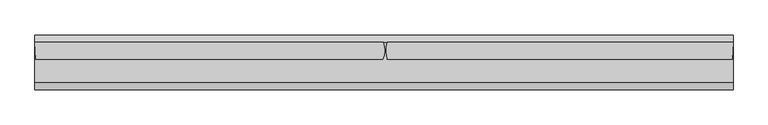
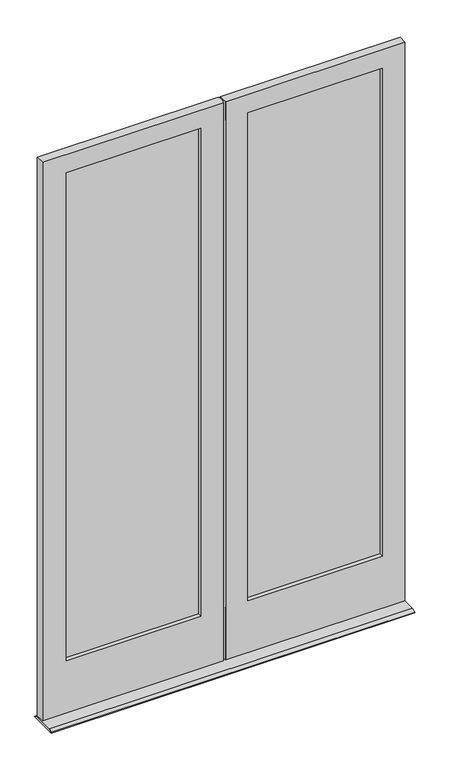
"""IFC4 building model written with IfcOpenShell, lengths in millimetres: plate geometry."""

from ifc_helpers import new_model, si_unit, frame, origin, place, context, project, spatial, polyline, circle_curve, outline, extrude, source, transform, mapped, element, save
from ifc_brep_helpers import plane_surface, cylinder_surface, advanced_brep


def plate_d8d8f39d(model_context):
    return source(origin(), model_context, "Body", "SolidModel", [
        extrude(outline(polyline([(-102.39375, -24.1173), (-805.65625, -24.1173), (-805.65625, -20.9423), (-102.39375, -20.9423), (-102.39375, -24.1173)])), frame((0.0, 0.0, 277.415625), z_axis=(0.0, 0.0, 1.0), x_axis=(1.0, 0.0, 0.0)), (0.0, 0.0, 1.0), 2612.628125),
        extrude(outline(polyline([(-805.65625, -13.1953), (-102.39375, -13.1953), (-102.39375, -16.3703), (-805.65625, -16.3703), (-805.65625, -13.1953)])), frame((0.0, 0.0, 277.415625), z_axis=(0.0, 0.0, 1.0), x_axis=(1.0, 0.0, 0.0)), (0.0, 0.0, 1.0), 2612.628125),
        extrude(outline(polyline([(805.65625, -24.1173), (102.39375, -24.1173), (102.39375, -20.9423), (805.65625, -20.9423), (805.65625, -24.1173)])), frame((0.0, 0.0, 277.415625), z_axis=(0.0, 0.0, 1.0), x_axis=(1.0, 0.0, 0.0)), (0.0, 0.0, 1.0), 2612.628125),
        extrude(outline(polyline([(102.39375, -13.1953), (805.65625, -13.1953), (805.65625, -16.3703), (102.39375, -16.3703), (102.39375, -13.1953)])), frame((0.0, 0.0, 277.415625), z_axis=(0.0, 0.0, 1.0), x_axis=(1.0, 0.0, 0.0)), (0.0, 0.0, 1.0), 2612.628125),
        extrude(outline(polyline([(-1.5881087, 12.7), (17.4625, 3.1746956), (17.4625, 0.0), (-125.4125, 0.0), (-125.4125, 3.1746956), (-106.3618913, 12.7), (-1.5881087, 12.7)])), frame((-911.9755413, 0.0, 0.0), z_axis=(1.0, 0.0, 0.0), x_axis=(0.0, 1.0, 0.0)), (0.0, 0.0, 1.0), 1818.4380405),
        advanced_brep(
        [(-122.2375, -1.5875127, 2870.2), (-122.2375, -13.1920658, 2870.2), (-785.8124339, -13.1947929, 2870.2), (-785.8124339, -1.587502, 2870.2), (-102.39375, -13.1920658, 2890.04375), (-102.39375, -24.1171967, 2890.04375), (-805.65625, -24.1172867, 2890.04375), (-805.65625, -13.1948849, 2890.04375), (-117.4623, -24.1171967, 2874.9752), (-117.4623, -46.0375, 2874.9752), (-790.5876387, -46.0375, 2874.9752), (-790.5876387, -24.1172845, 2874.9752), (-122.2375, -1.5875127, 296.8621956), (-785.8124339, -1.5875127, 296.8621956), (-785.8124339, -13.1949832, 296.8621956), (-122.2375, -13.1920658, 296.8621956), (-805.65625, -24.1171967, 277.415625), (-102.39375, -24.1171967, 277.415625), (-102.39375, -13.1920658, 277.415625), (-805.65625, -13.1920658, 277.415625), (-117.4623, -24.1171967, 292.0869956), (-790.5876387, -24.1171967, 292.0869956), (-790.5876387, -46.0375, 292.0869956), (-117.4623, -46.0375, 292.0869956), (-909.2069413, -46.0375, 17.4625), (-909.2069413, -46.0375, 2971.8), (-911.9755413, -1.5875, 2971.8), (-911.9755413, -1.5875, 17.4625), (-5.6038924, -46.0375, 2971.8), (-4.4292042, -1.5875127, 2971.8), (-4.4292042, -1.5875127, 17.4625), (-5.6038924, -46.0375, 17.4625)],
        [
            (0, 1),
            (1, 2),
            (2, 3),
            (3, 0),
            (4, 5),
            (5, 6),
            (6, 7),
            (7, 4),
            (8, 9),
            (9, 10),
            (10, 11),
            (11, 8),
            (12, 13),
            (13, 14),
            (14, 15),
            (15, 12),
            (16, 17),
            (17, 18),
            (18, 19),
            (19, 16),
            (20, 21),
            (21, 22),
            (22, 23),
            (23, 20),
            (24, 25),
            (25, 26),
            (26, 27),
            (27, 24),
            (10, 22),
            (21, 11),
            (19, 7),
            (6, 16),
            (2, 14),
            (13, 3),
            (0, 12),
            (15, 1),
            (17, 5),
            (4, 18),
            (8, 20),
            (23, 9),
            (28, 29, circle_curve(frame((-65.0875, -22.225, 2971.8), z_axis=(0.0, 0.0, 1.0), x_axis=(0.0, -1.0, 0.0)), 64.0728861)),
            (29, 26),
            (25, 28),
            (30, 31, circle_curve(frame((-65.0875, -22.225, 17.4625), z_axis=(0.0, 0.0, -1.0), x_axis=(0.0, -1.0, 0.0)), 64.0728861)),
            (31, 24),
            (27, 30),
            (31, 28),
            (29, 30),
        ],
        [
            plane_surface(frame((-909.2069413, -1.5875, 2870.2), z_axis=(0.0, 0.0, -1.0), x_axis=(1.0, 0.0, 0.0))),
            plane_surface(frame((-909.2069413, -13.1953, 2890.04375), z_axis=(0.0, 0.0, -1.0), x_axis=(1.0, 0.0, 0.0))),
            plane_surface(frame((-909.2069413, -24.1173, 2874.9752), z_axis=(0.0, 0.0, -1.0), x_axis=(1.0, 0.0, 0.0))),
            plane_surface(frame((-5.5889985, -1.5875, 296.8621956), z_axis=(0.0, 0.0, 1.0), x_axis=(-1.0, 0.0, 0.0))),
            plane_surface(frame((-5.5889985, -13.1953, 277.415625), z_axis=(0.0, 0.0, 1.0), x_axis=(-1.0, 0.0, 0.0))),
            plane_surface(frame((-5.5889985, -24.1173, 292.0869956), z_axis=(0.0, 0.0, 1.0), x_axis=(-1.0, 0.0, 0.0))),
            plane_surface(frame((-911.9755413, -1.5875, 2971.8), z_axis=(-0.998065870687917, -0.062165245660017354, 0.0), x_axis=(0.0, 0.0, -1.0))),
            plane_surface(frame((-790.5876387, -46.0375, 2971.8), z_axis=(1.0, 0.0, 0.0), x_axis=(0.0, 0.0, -1.0))),
            plane_surface(frame((-805.65625, -24.1173, 2971.8), z_axis=(1.0, 0.0, 0.0), x_axis=(0.0, 0.0, -1.0))),
            plane_surface(frame((-785.8124339, -13.1953, 2971.8), z_axis=(1.0, 0.0, 0.0), x_axis=(0.0, 0.0, -1.0))),
            plane_surface(frame((-122.2375, -1.5875127, 2971.8), z_axis=(-1.0, 0.0, 0.0), x_axis=(0.0, 0.0, -1.0))),
            plane_surface(frame((-102.39375, -13.1920658, 2971.8), z_axis=(-1.0, 0.0, 0.0), x_axis=(0.0, 0.0, -1.0))),
            plane_surface(frame((-117.4623, -24.1171967, 2971.8), z_axis=(-1.0, 0.0, 0.0), x_axis=(0.0, 0.0, -1.0))),
            plane_surface(frame((5.5889985, -46.0375, 2971.8), z_axis=(0.0, 0.0, 1.0), x_axis=(1.0, 0.0, 0.0))),
            plane_surface(frame((895.1066401, -18.6563, 17.4625), z_axis=(0.0, 0.0, -1.0), x_axis=(0.0, -1.0, 0.0))),
            plane_surface(frame((-55.4591402, -46.0375, 2971.8), z_axis=(0.0, -1.0, 0.0), x_axis=(0.0, 0.0, -1.0))),
            plane_surface(frame((-55.4591402, -1.5875127, 2971.8), z_axis=(0.0, 1.0, 0.0), x_axis=(0.0, 0.0, -1.0))),
            plane_surface(frame((-122.2375, -13.1920658, 2971.8), z_axis=(0.0, -1.0, 0.0), x_axis=(0.0, 0.0, -1.0))),
            plane_surface(frame((-102.39375, -24.1171967, 2971.8), z_axis=(0.0, 1.0, 0.0), x_axis=(0.0, 0.0, -1.0))),
            cylinder_surface(frame((-65.0875, -22.225, 2971.8), z_axis=(0.0, 0.0, 1.0), x_axis=(0.0, -1.0, 0.0)), 64.0728861),
        ],
        [
            (0, [[1, 2, 3, 4]]),
            (1, [[5, 6, 7, 8]]),
            (2, [[9, 10, 11, 12]]),
            (3, [[13, 14, 15, 16]]),
            (4, [[17, 18, 19, 20]]),
            (5, [[21, 22, 23, 24]]),
            (6, [[25, 26, 27, 28]]),
            (7, [[-11, 29, -22, 30]]),
            (8, [[31, -7, 32, -20]]),
            (9, [[-3, 33, -14, 34]]),
            (10, [[-1, 35, -16, 36]]),
            (11, [[37, -5, 38, -18]]),
            (12, [[-9, 39, -24, 40]]),
            (13, [[41, 42, -26, 43]]),
            (14, [[44, 45, -28, 46]]),
            (15, [[-45, 47, -43, -25], [-40, -23, -29, -10]]),
            (16, [[48, -46, -27, -42], [-34, -13, -35, -4]]),
            (17, [[-8, -31, -19, -38], [-2, -36, -15, -33]]),
            (18, [[-6, -37, -17, -32], [-12, -30, -21, -39]]),
            (19, [[-41, -47, -44, -48]]),
        ],
    ),
        advanced_brep(
        [(117.4623, -46.0375, 2874.9752), (117.4623, -46.0375, 292.0869956), (117.4623, -24.1172867, 292.0869956), (117.4623, -24.1173, 2874.9752), (102.39375, -13.1953, 2890.04375), (102.39375, -24.1173, 2890.04375), (102.39375, -24.1173, 277.415625), (102.39375, -13.1953, 277.415625), (122.2375, -13.1953, 2870.2), (122.2375, -13.1953, 296.8621956), (122.2375, -1.5875017, 296.8621956), (122.2375, -1.5875, 2870.2), (785.8125, -13.1953, 2870.2), (785.8125, -1.5875, 2870.2), (785.8125, -1.5875115, 296.8621956), (785.8125, -13.1923826, 296.8621956), (805.65625, -24.1173, 2890.04375), (805.65625, -13.1953, 2890.04375), (805.65625, -13.1923585, 277.415625), (805.65625, -24.1172061, 277.415625), (790.5877, -46.0375, 2874.9752), (790.5877, -24.1173, 2874.9752), (790.5877, -24.1172067, 292.0869956), (790.5877, -46.0375, 292.0869956), (906.4624992, -1.5875127, 2971.8), (903.6939, -46.0375, 2971.8), (903.6939, -46.0375, 17.4625), (906.4624992, -1.5875127, 17.4625), (5.5889985, -46.0375, 2874.9752), (5.5889985, -42.7965476, 2874.9752), (6.380646, -46.0375, 2874.9752), (5.5889985, -46.0375, 292.0869956), (6.380646, -46.0375, 292.0869956), (5.5889985, -42.7965476, 292.0869956), (5.5889985, -1.5875, 2971.8), (5.5889985, -42.7965476, 2971.8), (5.5889985, -46.0375, 2971.8), (5.5889985, -46.0375, 17.4625), (5.5889985, -1.5875, 17.4625), (5.5889985, -42.7965476, 17.4625)],
        [
            (0, 1),
            (1, 2),
            (2, 3),
            (3, 0),
            (4, 5),
            (5, 6),
            (6, 7),
            (7, 4),
            (8, 9),
            (9, 10),
            (10, 11),
            (11, 8),
            (12, 13),
            (13, 14),
            (14, 15),
            (15, 12),
            (16, 17),
            (17, 18),
            (18, 19),
            (19, 16),
            (20, 21),
            (21, 22),
            (22, 23),
            (23, 20),
            (24, 25),
            (25, 26),
            (26, 27),
            (27, 24),
            (12, 8),
            (11, 13),
            (16, 5),
            (4, 17),
            (20, 0),
            (3, 21),
            (28, 29),
            (29, 30, circle_curve(frame((96.8375, -22.225, 2874.9752), z_axis=(0.0, 0.0, 1.0), x_axis=(0.0, -1.0, 0.0)), 93.5386423)),
            (30, 28),
            (14, 10),
            (9, 15),
            (18, 7),
            (6, 19),
            (22, 2),
            (1, 23),
            (31, 32),
            (32, 33, circle_curve(frame((96.8375, -22.225, 292.0869956), z_axis=(0.0, 0.0, -1.0), x_axis=(0.0, -1.0, 0.0)), 93.5386423)),
            (33, 31),
            (24, 34),
            (34, 35, circle_curve(frame((96.8375, -22.225, 2971.8), z_axis=(0.0, 0.0, 1.0), x_axis=(0.0, -1.0, 0.0)), 93.5386423)),
            (35, 36),
            (36, 25),
            (36, 28),
            (30, 32),
            (31, 37),
            (37, 26),
            (27, 38),
            (38, 34),
            (37, 39),
            (39, 38, circle_curve(frame((96.8375, -22.225, 17.4625), z_axis=(0.0, 0.0, -1.0), x_axis=(0.0, -1.0, 0.0)), 93.5386423)),
            (39, 33),
            (29, 35),
        ],
        [
            plane_surface(frame((117.4623, -46.0375, 2971.8), z_axis=(1.0, 0.0, 0.0), x_axis=(0.0, 0.0, -1.0))),
            plane_surface(frame((102.39375, -24.1171967, 2971.8), z_axis=(1.0, 0.0, 0.0), x_axis=(0.0, 0.0, -1.0))),
            plane_surface(frame((122.2375, -13.1920658, 2971.8), z_axis=(1.0, 0.0, 0.0), x_axis=(0.0, 0.0, -1.0))),
            plane_surface(frame((785.8125, -1.5875127, 2971.8), z_axis=(-1.0, 0.0, 0.0), x_axis=(0.0, 0.0, -1.0))),
            plane_surface(frame((805.65625, -13.1920658, 2971.8), z_axis=(-1.0, 0.0, 0.0), x_axis=(0.0, 0.0, -1.0))),
            plane_surface(frame((790.5877, -24.1171967, 2971.8), z_axis=(-1.0, 0.0, 0.0), x_axis=(0.0, 0.0, -1.0))),
            plane_surface(frame((903.6939, -46.0375, 2971.8), z_axis=(0.9980658706878365, -0.06216524566130957, 0.0), x_axis=(0.0, 0.0, -1.0))),
            plane_surface(frame((5.5889985, -1.5875, 2870.2), z_axis=(0.0, 0.0, -1.0), x_axis=(1.0, 0.0, 0.0))),
            plane_surface(frame((5.5889985, -13.1953, 2890.04375), z_axis=(0.0, 0.0, -1.0), x_axis=(1.0, 0.0, 0.0))),
            plane_surface(frame((5.5889985, -24.1173, 2874.9752), z_axis=(0.0, 0.0, -1.0), x_axis=(1.0, 0.0, 0.0))),
            plane_surface(frame((903.6939, -1.5875, 296.8621956), z_axis=(0.0, 0.0, 1.0), x_axis=(-1.0, 0.0, 0.0))),
            plane_surface(frame((903.6939, -13.1953, 277.415625), z_axis=(0.0, 0.0, 1.0), x_axis=(-1.0, 0.0, 0.0))),
            plane_surface(frame((903.6939, -24.1173, 292.0869956), z_axis=(0.0, 0.0, 1.0), x_axis=(-1.0, 0.0, 0.0))),
            plane_surface(frame((5.5889985, -46.0375, 2971.8), z_axis=(0.0, 0.0, 1.0), x_axis=(1.0, 0.0, 0.0))),
            plane_surface(frame((5.5889985, -46.0375, 2917.9315348), z_axis=(0.0, -1.0, 0.0), x_axis=(1.0, 0.0, 0.0))),
            plane_surface(frame((5.5889985, -1.5875, 2917.9315348), z_axis=(0.0, 1.0, 0.0), x_axis=(1.0, 0.0, 0.0))),
            plane_surface(frame((5.5889985, -13.1953, 2870.2), z_axis=(0.0, -1.0, 0.0), x_axis=(1.0, 0.0, 0.0))),
            plane_surface(frame((5.5889985, -24.1173, 2890.04375), z_axis=(0.0, 1.0, 0.0), x_axis=(1.0, 0.0, 0.0))),
            plane_surface(frame((895.1066401, -18.6563, 17.4625), z_axis=(0.0, 0.0, -1.0), x_axis=(0.0, -1.0, 0.0))),
            cylinder_surface(frame((96.8375, -22.225, 2971.8), z_axis=(0.0, 0.0, 1.0), x_axis=(0.0, -1.0, 0.0)), 93.5386423),
            plane_surface(frame((5.5889985, -18.6563, 2987.675), z_axis=(-1.0, 0.0, 0.0), x_axis=(0.0, -1.0, 0.0))),
            plane_surface(frame((5.5889985, -18.6563, 0.0), z_axis=(-1.0, 0.0, 0.0), x_axis=(0.0, -1.0, 0.0))),
        ],
        [
            (0, [[1, 2, 3, 4]]),
            (1, [[5, 6, 7, 8]]),
            (2, [[9, 10, 11, 12]]),
            (3, [[13, 14, 15, 16]]),
            (4, [[17, 18, 19, 20]]),
            (5, [[21, 22, 23, 24]]),
            (6, [[25, 26, 27, 28]]),
            (7, [[-13, 29, -12, 30]]),
            (8, [[-17, 31, -5, 32]]),
            (9, [[-21, 33, -4, 34]]),
            (9, [[35, 36, 37]]),
            (10, [[-15, 38, -10, 39]]),
            (11, [[-19, 40, -7, 41]]),
            (12, [[-23, 42, -2, 43]]),
            (12, [[44, 45, 46]]),
            (13, [[-25, 47, 48, 49, 50]]),
            (14, [[51, -37, 52, -44, 53, 54, -26, -50], [-24, -43, -1, -33]]),
            (15, [[-28, 55, 56, -47], [-14, -30, -11, -38]]),
            (16, [[-18, -32, -8, -40], [-16, -39, -9, -29]]),
            (17, [[-20, -41, -6, -31], [-22, -34, -3, -42]]),
            (18, [[-27, -54, 57, 58, -55]]),
            (19, [[-48, -56, -58, 59, -45, -52, -36, 60]]),
            (20, [[-51, -49, -60, -35]]),
            (21, [[-53, -46, -59, -57]]),
        ],
    ),
    ])


if __name__ == "__main__":
    model = new_model("IFC4")
    model_context = context("Model", 3, world=origin())
    ifc_project = project(units=[si_unit("LENGTHUNIT", "METRE", prefix="MILLI")], contexts=[model_context])
    site = spatial("IfcSite", under=ifc_project)
    building = spatial("IfcBuilding", under=site)
    placement = place(None, origin())
    plate_shape = plate_d8d8f39d(model_context)
    element("IfcPlate", 1, at=placement, inside=building, context=model_context, shape_type="MappedRepresentation", body=[
        mapped(plate_shape, transform((0.0, 0.0, 0.0), x_axis=(1.0, 0.0, 0.0), y_axis=(0.0, 1.0, 0.0), z_axis=(0.0, 0.0, 1.0))),
    ])
    save(model, "model.ifc")
